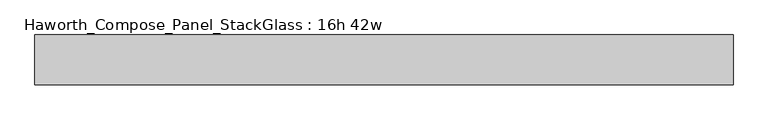
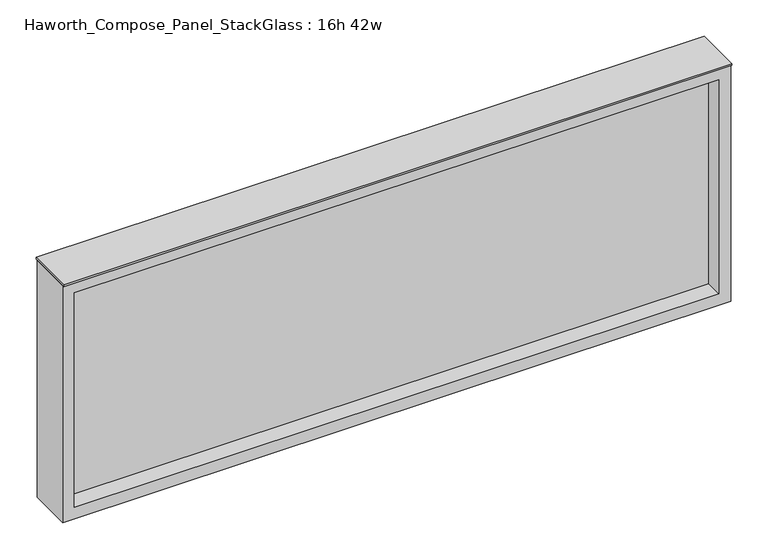
"""IFC4 building model written with IfcOpenShell, lengths in millimetres: furniture geometry, Haworth_Compose_Panel_StackGlass : 16h 42w."""

from ifc_helpers import new_model, si_unit, frame, origin, place, context, project, spatial, polyline, outline, extrude, source, transform, mapped, element, save


def haworth_compose_panel_stackglass_16h_42w_b2fa0a9c(model_context):
    return source(origin(), model_context, "Body", "SweptSolid", [
        extrude(outline(polyline([(516.7902902, -6.35), (-511.9097098, -6.35), (-511.9097098, 6.35), (516.7902902, 6.35), (516.7902902, -6.35)])), frame((0.0, 0.0, 1085.85), z_axis=(0.0, 0.0, 1.0), x_axis=(1.0, 0.0, 0.0)), (0.0, 0.0, 1.0), 361.95),
        extrude(outline(polyline([(1466.85, -530.9597098), (1066.8, -530.9597098), (1066.8, 535.8402902), (1466.85, 535.8402902), (1466.85, -530.9597098)]), holes=[polyline([(1447.8, 516.7902902), (1085.85, 516.7902902), (1085.85, -511.9097098), (1447.8, -511.9097098), (1447.8, 516.7902902)])]), frame((0.0, -34.925, 0.0), z_axis=(0.0, 1.0, 0.0), x_axis=(0.0, 0.0, 1.0)), (0.0, 0.0, 1.0), 69.85),
        extrude(outline(polyline([(-530.9597098, -38.1), (-530.9597098, 38.1), (535.8402902, 38.1), (535.8402902, -38.1), (-530.9597098, -38.1)])), frame((0.0, 0.0, 1466.85), z_axis=(0.0, 0.0, 1.0), x_axis=(1.0, 0.0, 0.0)), (0.0, 0.0, 1.0), 3.175),
    ])


if __name__ == "__main__":
    model = new_model("IFC4")
    model_context = context("Model", 3, world=origin())
    ifc_project = project(units=[si_unit("LENGTHUNIT", "METRE", prefix="MILLI")], contexts=[model_context])
    site = spatial("IfcSite", under=ifc_project)
    building = spatial("IfcBuilding", under=site)
    placement = place(None, origin())
    haworth_compose_panel_stackglass_16h_42w_shape = haworth_compose_panel_stackglass_16h_42w_b2fa0a9c(model_context)
    element("IfcFurniture", 1, ObjectType="Haworth_Compose_Panel_StackGlass : 16h 42w", at=placement, inside=building, context=model_context, shape_type="MappedRepresentation", body=[
        mapped(haworth_compose_panel_stackglass_16h_42w_shape, transform((0.0, 0.0, 0.0), x_axis=(1.0, 0.0, 0.0), y_axis=(0.0, 1.0, 0.0), z_axis=(0.0, 0.0, 1.0))),
    ])
    save(model, "model.ifc")
